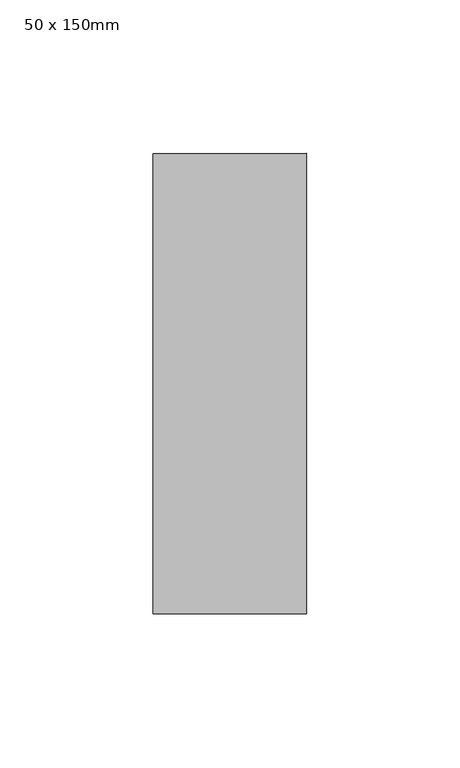
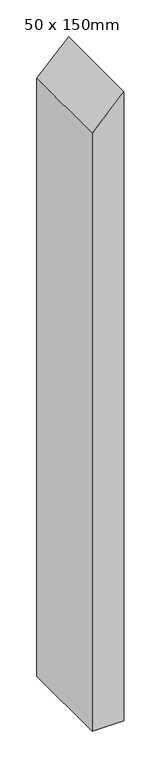
"""IFC4 building model written with IfcOpenShell, lengths in millimetres: member geometry, 50 x 150mm."""

from ifc_helpers import new_model, si_unit, frame, origin, place, context, project, spatial, polyline, outline, extrude, source, transform, mapped, element, save


def member_50_x_150mm_b19c2d92(model_context):
    return source(origin(), model_context, "Body", "SweptSolid", [
        extrude(outline(polyline([(0.0, 0.0), (-50.9731567, -50.0), (-1042.1098278, -50.0), (-1042.1098278, 0.0), (0.0, 0.0)])), frame((0.0, -75.0, 0.0), z_axis=(0.0, 1.0, 0.0), x_axis=(0.0, 0.0, 1.0)), (0.0, 0.0, 1.0), 150.0),
    ])


if __name__ == "__main__":
    model = new_model("IFC4")
    model_context = context("Model", 3, world=origin())
    ifc_project = project(units=[si_unit("LENGTHUNIT", "METRE", prefix="MILLI")], contexts=[model_context])
    site = spatial("IfcSite", under=ifc_project)
    building = spatial("IfcBuilding", under=site)
    placement = place(None, origin())
    member_50_x_150mm_shape = member_50_x_150mm_b19c2d92(model_context)
    element("IfcMember", 1, ObjectType="50 x 150mm", at=placement, inside=building, context=model_context, shape_type="MappedRepresentation", body=[
        mapped(member_50_x_150mm_shape, transform((0.0, 0.0, 0.0), x_axis=(1.0, 0.0, 0.0), y_axis=(0.0, 1.0, 0.0), z_axis=(0.0, 0.0, 1.0))),
    ])
    save(model, "model.ifc")
